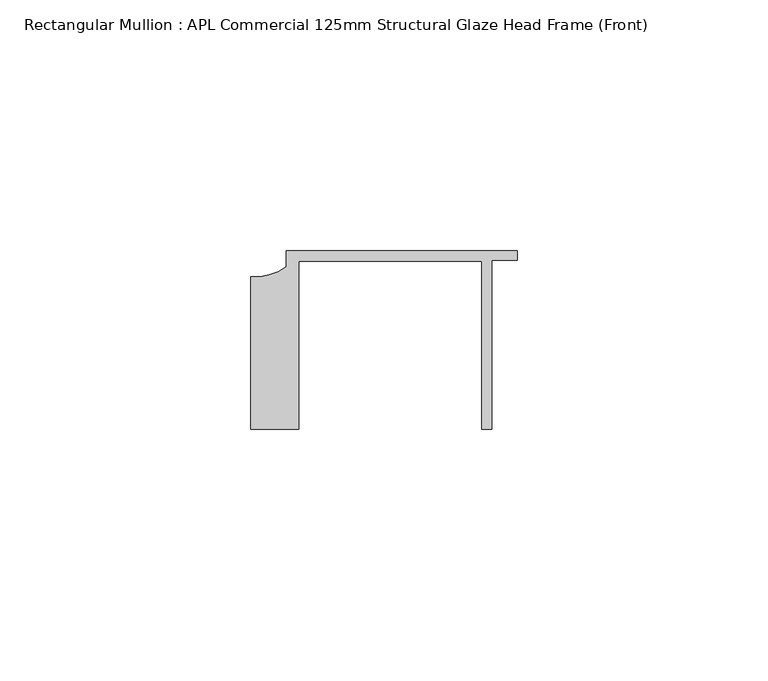
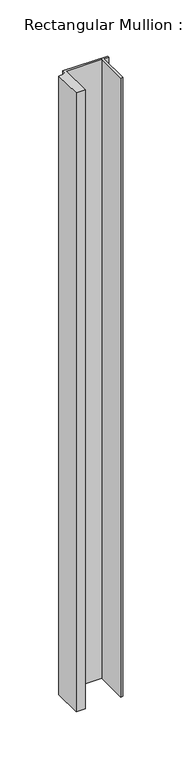
"""IFC4 building model written with IfcOpenShell, lengths in millimetres: member geometry, Rectangular Mullion : APL Commercial 125mm Structural Glaze Head Frame (Front)."""

from ifc_helpers import new_model, si_unit, point, frame, frame_2d, origin, place, context, project, spatial, polyline, circle_curve, trimmed, segment, composite_curve, outline, extrude, source, transform, mapped, element, save


def rectangular_mullion_apl_commercial_125mm_structural_glaze_8fb76504(model_context):
    return source(origin(), model_context, "Body", "SweptSolid", [
        extrude(outline(composite_curve([segment(polyline([(-52.9999542, -15.0), (-52.9999542, 15.3798304)]), True, "CONTINUOUS"), segment(trimmed(circle_curve(frame_2d((-52.109817, 25.7982641)), 10.4563907), [point((-52.9999542, 15.3798304))], [point((-45.9999994, 17.3126154))], True, "CARTESIAN"), True, "CONTINUOUS"), segment(polyline([(-45.9999994, 17.3126154), (-45.9999994, 20.5002486), (0.0, 20.5002486), (0.0, 18.7002486), (-5.0, 18.7002486), (-5.0, -15.0), (-7.0, -15.0), (-7.0, 18.5002486), (-43.5000151, 18.5002486), (-43.5000151, -15.0), (-52.9999542, -15.0)]), True, "CONTINUOUS")], self_intersect=False)), frame((0.0, 0.0, -673.5145618), z_axis=(0.0, 0.0, 1.0), x_axis=(1.0, 0.0, 0.0)), (0.0, 0.0, 1.0), 673.5145618),
    ])


if __name__ == "__main__":
    model = new_model("IFC4")
    model_context = context("Model", 3, world=origin())
    ifc_project = project(units=[si_unit("LENGTHUNIT", "METRE", prefix="MILLI")], contexts=[model_context])
    site = spatial("IfcSite", under=ifc_project)
    building = spatial("IfcBuilding", under=site)
    placement = place(None, origin())
    rectangular_mullion_apl_commercial_125mm_structural_glaze_shape = rectangular_mullion_apl_commercial_125mm_structural_glaze_8fb76504(model_context)
    element("IfcMember", 1, ObjectType="Rectangular Mullion : APL Commercial 125mm Structural Glaze Head Frame (Front)", at=placement, inside=building, context=model_context, shape_type="MappedRepresentation", body=[
        mapped(rectangular_mullion_apl_commercial_125mm_structural_glaze_shape, transform((0.0, 0.0, 0.0), x_axis=(1.0, 0.0, 0.0), y_axis=(0.0, 1.0, 0.0), z_axis=(0.0, 0.0, 1.0))),
    ])
    save(model, "model.ifc")
